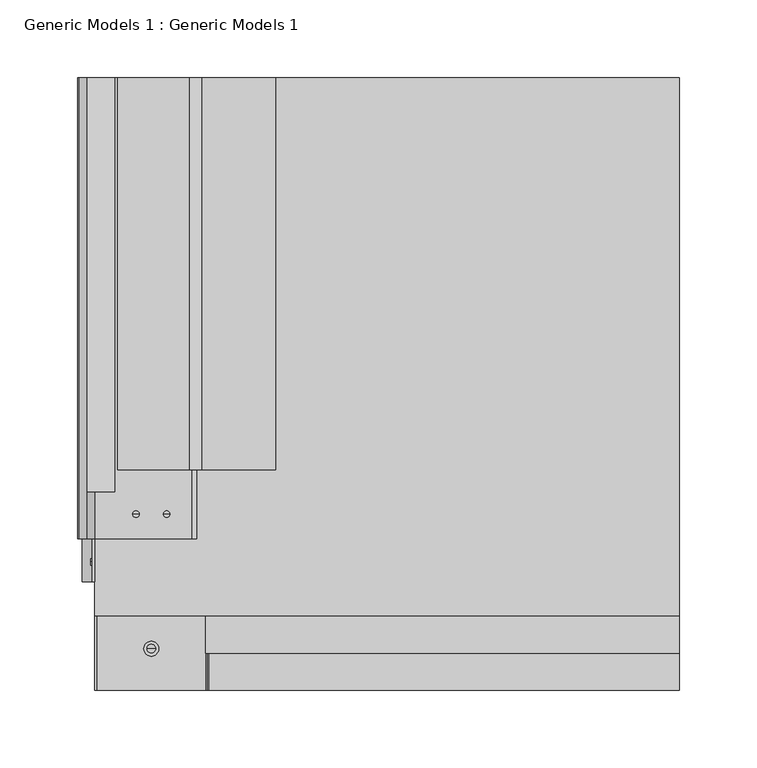
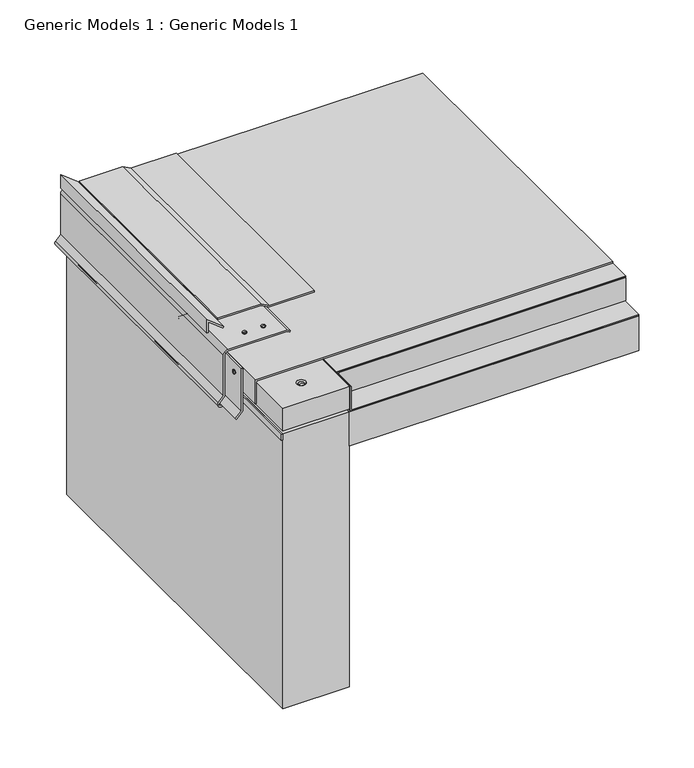
"""IFC4 building model written with IfcOpenShell, lengths in millimetres: proxy geometry, Generic Models 1 : Generic Models 1."""

from ifc_helpers import new_model, si_unit, point, frame, frame_2d, origin, place, context, project, spatial, polyline, circle_curve, trimmed, segment, composite_curve, outline, extrude, source, transform, mapped, element, save
from ifc_brep_helpers import plane_surface, cylinder_surface, revolved_surface, advanced_brep


def generic_models_1_generic_models_1_17781622(model_context):
    return source(origin(), model_context, "Body", "SolidModel", [
        advanced_brep(
        [(12.7, 393.8469389, 366.2998414), (82.55, 393.8469389, 366.2998414), (82.55, 393.8469389, 340.8998414), (12.7, 393.8469389, 340.8998414), (12.7, 0.0, 366.2998414), (12.7, 0.0, 340.8998414), (82.55, 0.0, 340.8998414), (82.55, 0.0, 366.2998414), (42.8625, 26.7050566, 366.2998414), (52.3875, 26.7050566, 366.2998414), (42.8625, 26.7050566, 362.6288088), (52.3875, 26.7050566, 362.6288088)],
        [
            (0, 1),
            (1, 2),
            (2, 3),
            (3, 0),
            (4, 5),
            (5, 6),
            (6, 7),
            (7, 4),
            (0, 4),
            (7, 1),
            (8, 9, circle_curve(frame((47.625, 26.7050566, 366.2998414), z_axis=(0.0, 0.0, -1.0), x_axis=(1.0, 0.0, 0.0)), 4.7625)),
            (9, 8, circle_curve(frame((47.625, 26.7050566, 366.2998414), z_axis=(0.0, 0.0, -1.0), x_axis=(1.0, 0.0, 0.0)), 4.7625)),
            (6, 2),
            (5, 3),
            (10, 11, circle_curve(frame((47.625, 26.7050566, 362.6288088), z_axis=(0.0, 0.0, 1.0), x_axis=(1.0, 0.0, 0.0)), 4.7625)),
            (11, 10, circle_curve(frame((47.625, 26.7050566, 362.6288088), z_axis=(0.0, 0.0, 1.0), x_axis=(1.0, 0.0, 0.0)), 4.7625)),
            (11, 9),
            (8, 10),
        ],
        [
            plane_surface(frame((82.55, 393.8469389, 366.2998414), z_axis=(0.0, 1.0, 0.0), x_axis=(1.0, 0.0, 0.0))),
            plane_surface(frame((82.55, 0.0, 366.2998414), z_axis=(0.0, -1.0, 0.0), x_axis=(-1.0, 0.0, 0.0))),
            plane_surface(frame((12.7, 393.8469389, 366.2998414), z_axis=(0.0, 0.0, 1.0), x_axis=(0.0, -1.0, 0.0))),
            plane_surface(frame((82.55, 393.8469389, 366.2998414), z_axis=(1.0, 0.0, 0.0), x_axis=(0.0, -1.0, 0.0))),
            plane_surface(frame((82.55, 393.8469389, 340.8998414), z_axis=(0.0, 0.0, -1.0), x_axis=(0.0, -1.0, 0.0))),
            plane_surface(frame((12.7, 393.8469389, 340.8998414), z_axis=(-1.0, 0.0, 0.0), x_axis=(0.0, -1.0, 0.0))),
            plane_surface(frame((52.3875, 26.7050566, 362.6288088), z_axis=(0.0, 0.0, 1.0), x_axis=(0.0, -1.0, 0.0))),
            revolved_surface(polyline([(52.3875, 26.7050566, 362.6288088), (52.3875, 26.7050566, 366.2998414)]), (47.625, 26.7050566, 366.2998414), (0.0, 0.0, -1.0)),
        ],
        [
            (0, [[1, 2, 3, 4]]),
            (1, [[5, 6, 7, 8]]),
            (2, [[-1, 9, -8, 10], [11, 12]]),
            (3, [[-2, -10, -7, 13]]),
            (4, [[-3, -13, -6, 14]]),
            (5, [[-4, -14, -5, -9]]),
            (6, [[15, 16]]),
            (7, [[-16, 17, -11, 18]]),
            (7, [[-15, -18, -12, -17]]),
        ],
    ),
        advanced_brep(
        [(44.8277779, 26.7050566, 365.2810239), (50.4222221, 26.7050566, 365.2810239), (47.625, 26.7050566, 365.2810239), (44.8277779, 26.7050566, 362.6288088), (50.4222221, 26.7050566, 362.6288088), (46.8121031, 26.7050566, 362.6288088), (48.4378969, 26.7050566, 362.6288088), (46.8121031, 26.7050566, 322.3707777), (48.4378969, 26.7050566, 322.3707777), (47.625, 26.7050566, 322.3707777)],
        [
            (0, 1, circle_curve(frame((47.625, 26.7050566, 365.2810239), z_axis=(0.0, 0.0, 1.0), x_axis=(1.0, 0.0, 0.0)), 2.7972221)),
            (1, 2),
            (2, 0),
            (1, 0, circle_curve(frame((47.625, 26.7050566, 365.2810239), z_axis=(0.0, 0.0, 1.0), x_axis=(1.0, 0.0, 0.0)), 2.7972221)),
            (3, 4, circle_curve(frame((47.625, 26.7050566, 362.6288088), z_axis=(0.0, 0.0, 1.0), x_axis=(1.0, 0.0, 0.0)), 2.7972221)),
            (4, 1),
            (0, 3),
            (4, 3, circle_curve(frame((47.625, 26.7050566, 362.6288088), z_axis=(0.0, 0.0, 1.0), x_axis=(1.0, 0.0, 0.0)), 2.7972221)),
            (5, 6, circle_curve(frame((47.625, 26.7050566, 362.6288088), z_axis=(0.0, 0.0, 1.0), x_axis=(1.0, 0.0, 0.0)), 0.8128969)),
            (6, 4),
            (3, 5),
            (6, 5, circle_curve(frame((47.625, 26.7050566, 362.6288088), z_axis=(0.0, 0.0, 1.0), x_axis=(1.0, 0.0, 0.0)), 0.8128969)),
            (7, 8, circle_curve(frame((47.625, 26.7050566, 322.3707777), z_axis=(0.0, 0.0, 1.0), x_axis=(1.0, 0.0, 0.0)), 0.8128969)),
            (8, 6),
            (5, 7),
            (8, 7, circle_curve(frame((47.625, 26.7050566, 322.3707777), z_axis=(0.0, 0.0, 1.0), x_axis=(1.0, 0.0, 0.0)), 0.8128969)),
            (9, 8),
            (7, 9),
        ],
        [
            plane_surface(frame((47.625, 26.7050566, 365.2810239), z_axis=(0.0, 0.0, 1.0), x_axis=(1.0, 0.0, 0.0))),
            cylinder_surface(frame((47.625, 26.7050566, 363.4227055), z_axis=(0.0, 0.0, -1.0), x_axis=(1.0, 0.0, 0.0)), 2.7972221),
            plane_surface(frame((47.625, 26.7050566, 362.6288088), z_axis=(0.0, 0.0, -1.0), x_axis=(1.0, 0.0, 0.0))),
            cylinder_surface(frame((47.625, 26.7050566, 363.4227055), z_axis=(0.0, 0.0, -1.0), x_axis=(1.0, 0.0, 0.0)), 0.8128969),
            plane_surface(frame((47.625, 26.7050566, 322.3707777), z_axis=(0.0, 0.0, -1.0), x_axis=(1.0, 0.0, 0.0))),
        ],
        [
            (0, [[1, 2, 3]]),
            (0, [[4, -3, -2]]),
            (1, [[5, 6, -1, 7]]),
            (1, [[8, -7, -4, -6]]),
            (2, [[9, 10, -5, 11]]),
            (2, [[12, -11, -8, -10]]),
            (3, [[13, 14, -9, 15]]),
            (3, [[16, -15, -12, -14]]),
            (4, [[17, -13, 18]]),
            (4, [[-18, -16, -17]]),
        ],
    ),
        advanced_brep(
        [(57.4938683, 113.2096799, 373.7920962), (55.3911775, 113.2096799, 373.7920962), (59.5965592, 113.2096799, 373.7920962), (55.3911775, 113.2096799, 372.9981994), (59.5965592, 113.2096799, 372.9981994), (57.055344, 113.2096799, 372.9981994), (57.9323927, 113.2096799, 372.9981994), (57.055344, 113.2096799, 349.8680551), (57.9323927, 113.2096799, 349.8680551), (57.4938683, 113.2096799, 347.3810597)],
        [
            (0, 1),
            (1, 2, circle_curve(frame((57.4938683, 113.2096799, 373.7920962), z_axis=(0.0, 0.0, 1.0), x_axis=(-1.0, 0.0, 0.0)), 2.1026908)),
            (2, 0),
            (2, 1, circle_curve(frame((57.4938683, 113.2096799, 373.7920962), z_axis=(0.0, 0.0, 1.0), x_axis=(-1.0, 0.0, 0.0)), 2.1026908)),
            (1, 3),
            (3, 4, circle_curve(frame((57.4938683, 113.2096799, 372.9981994), z_axis=(0.0, 0.0, 1.0), x_axis=(-1.0, 0.0, 0.0)), 2.1026908)),
            (4, 2),
            (4, 3, circle_curve(frame((57.4938683, 113.2096799, 372.9981994), z_axis=(0.0, 0.0, 1.0), x_axis=(-1.0, 0.0, 0.0)), 2.1026908)),
            (3, 5),
            (5, 6, circle_curve(frame((57.4938683, 113.2096799, 372.9981994), z_axis=(0.0, 0.0, 1.0), x_axis=(-1.0, 0.0, 0.0)), 0.4385244)),
            (6, 4),
            (6, 5, circle_curve(frame((57.4938683, 113.2096799, 372.9981994), z_axis=(0.0, 0.0, 1.0), x_axis=(-1.0, 0.0, 0.0)), 0.4385244)),
            (5, 7),
            (7, 8, circle_curve(frame((57.4938683, 113.2096799, 349.8680551), z_axis=(0.0, 0.0, 1.0), x_axis=(-1.0, 0.0, 0.0)), 0.4385244)),
            (8, 6),
            (8, 7, circle_curve(frame((57.4938683, 113.2096799, 349.8680551), z_axis=(0.0, 0.0, 1.0), x_axis=(-1.0, 0.0, 0.0)), 0.4385244)),
            (7, 9),
            (9, 8),
        ],
        [
            plane_surface(frame((57.4938683, 113.2096799, 373.7920962), z_axis=(0.0, 0.0, 1.0), x_axis=(-1.0, 0.0, 0.0))),
            cylinder_surface(frame((57.4938683, 113.2096799, 373.7920962), z_axis=(0.0, 0.0, 1.0), x_axis=(-1.0, 0.0, 0.0)), 2.1026908),
            plane_surface(frame((57.4938683, 113.2096799, 372.9981994), z_axis=(0.0, 0.0, -1.0), x_axis=(-1.0, 0.0, 0.0))),
            cylinder_surface(frame((57.4938683, 113.2096799, 373.7920962), z_axis=(0.0, 0.0, 1.0), x_axis=(-1.0, 0.0, 0.0)), 0.4385244),
            revolved_surface(polyline([(57.4938683, 113.2096799, 347.3810597), (57.055344, 113.2096799, 349.8680551)]), (57.4938683, 113.2096799, 373.7920962), (0.0, 0.0, 1.0)),
        ],
        [
            (0, [[1, 2, 3]]),
            (0, [[-3, 4, -1]]),
            (1, [[-2, 5, 6, 7]]),
            (1, [[-4, -7, 8, -5]]),
            (2, [[-6, 9, 10, 11]]),
            (2, [[-8, -11, 12, -9]]),
            (3, [[-10, 13, 14, 15]]),
            (3, [[-12, -15, 16, -13]]),
            (4, [[-14, 17, 18]]),
            (4, [[-16, -18, -17]]),
        ],
    ),
        advanced_brep(
        [(35.6534408, 113.2096799, 373.7920962), (39.8588225, 113.2096799, 373.7920962), (37.7561317, 113.2096799, 373.7920962), (35.6534408, 113.2096799, 372.9981994), (39.8588225, 113.2096799, 372.9981994), (37.3176073, 113.2096799, 372.9981994), (38.194656, 113.2096799, 372.9981994), (37.3176073, 113.2096799, 349.8680551), (38.194656, 113.2096799, 349.8680551), (37.7561317, 113.2096799, 347.3810597)],
        [
            (0, 1, circle_curve(frame((37.7561317, 113.2096799, 373.7920962), z_axis=(0.0, 0.0, 1.0), x_axis=(1.0, 0.0, 0.0)), 2.1026908)),
            (1, 2),
            (2, 0),
            (1, 0, circle_curve(frame((37.7561317, 113.2096799, 373.7920962), z_axis=(0.0, 0.0, 1.0), x_axis=(1.0, 0.0, 0.0)), 2.1026908)),
            (3, 4, circle_curve(frame((37.7561317, 113.2096799, 372.9981994), z_axis=(0.0, 0.0, 1.0), x_axis=(1.0, 0.0, 0.0)), 2.1026908)),
            (4, 1),
            (0, 3),
            (4, 3, circle_curve(frame((37.7561317, 113.2096799, 372.9981994), z_axis=(0.0, 0.0, 1.0), x_axis=(1.0, 0.0, 0.0)), 2.1026908)),
            (5, 6, circle_curve(frame((37.7561317, 113.2096799, 372.9981994), z_axis=(0.0, 0.0, 1.0), x_axis=(1.0, 0.0, 0.0)), 0.4385244)),
            (6, 4),
            (3, 5),
            (6, 5, circle_curve(frame((37.7561317, 113.2096799, 372.9981994), z_axis=(0.0, 0.0, 1.0), x_axis=(1.0, 0.0, 0.0)), 0.4385244)),
            (7, 8, circle_curve(frame((37.7561317, 113.2096799, 349.8680551), z_axis=(0.0, 0.0, 1.0), x_axis=(1.0, 0.0, 0.0)), 0.4385244)),
            (8, 6),
            (5, 7),
            (8, 7, circle_curve(frame((37.7561317, 113.2096799, 349.8680551), z_axis=(0.0, 0.0, 1.0), x_axis=(1.0, 0.0, 0.0)), 0.4385244)),
            (9, 8),
            (7, 9),
        ],
        [
            plane_surface(frame((37.7561317, 113.2096799, 373.7920962), z_axis=(0.0, 0.0, 1.0), x_axis=(1.0, 0.0, 0.0))),
            cylinder_surface(frame((37.7561317, 113.2096799, 373.7920962), z_axis=(0.0, 0.0, -1.0), x_axis=(1.0, 0.0, 0.0)), 2.1026908),
            plane_surface(frame((37.7561317, 113.2096799, 372.9981994), z_axis=(0.0, 0.0, -1.0), x_axis=(1.0, 0.0, 0.0))),
            cylinder_surface(frame((37.7561317, 113.2096799, 373.7920962), z_axis=(0.0, 0.0, -1.0), x_axis=(1.0, 0.0, 0.0)), 0.4385244),
            revolved_surface(polyline([(38.194656, 113.2096799, 349.8680551), (37.7561317, 113.2096799, 347.3810597)]), (37.7561317, 113.2096799, 373.7920962), (0.0, 0.0, -1.0)),
        ],
        [
            (0, [[1, 2, 3]]),
            (0, [[4, -3, -2]]),
            (1, [[5, 6, -1, 7]]),
            (1, [[8, -7, -4, -6]]),
            (2, [[9, 10, -5, 11]]),
            (2, [[12, -11, -8, -10]]),
            (3, [[13, 14, -9, 15]]),
            (3, [[16, -15, -12, -14]]),
            (4, [[17, -13, 18]]),
            (4, [[-18, -16, -17]]),
        ],
    ),
        extrude(outline(polyline([(338.5185914, 387.35), (339.3123414, 387.35), (339.3123414, 84.5573424), (365.5060914, 84.5573424), (365.5060914, 83.7635924), (338.5185914, 83.7635924), (338.5185914, 387.35)])), frame((0.0, 0.0, 0.0), z_axis=(0.0, 1.0, 0.0), x_axis=(0.0, 0.0, 1.0)), (0.0, 0.0, 1.0), 393.8469389),
        extrude(outline(polyline([(82.55, 261.3017557), (387.35, 261.3017557), (387.35, 0.0), (82.55, 0.0), (82.55, 261.3017557)])), frame((0.0, 0.0, 299.6248414), z_axis=(0.0, 0.0, 1.0), x_axis=(1.0, 0.0, 0.0)), (0.0, 0.0, 1.0), 38.1),
        extrude(outline(polyline([(389.7584322, 6.35), (374.6962373, 6.35), (374.6962373, 7.9375), (386.5035748, 7.9375), (374.5738743, 23.2068204), (375.8248414, 24.1841829), (389.7584322, 6.35)])), frame((0.0, 127.5153227, 0.0), z_axis=(0.0, 1.0, 0.0), x_axis=(0.0, 0.0, 1.0)), (0.0, 0.0, 1.0), 266.3316162),
        extrude(outline(polyline([(375.8248414, 26.1367613), (374.2373414, 26.1367613), (374.2373414, 71.4375), (369.4748414, 79.686392), (369.4748414, 127.7367613), (371.0623414, 127.7367613), (371.0623414, 80.1117613), (375.8248414, 71.8628693), (375.8248414, 26.1367613)])), frame((0.0, 141.7149298, 0.0), z_axis=(0.0, 1.0, 0.0), x_axis=(0.0, 0.0, 1.0)), (0.0, 0.0, 1.0), 252.1320092),
        advanced_brep(
        [(8.7311033, 184.15, 356.0418629), (8.7311033, 184.15, 360.2472445), (8.7311033, 184.15, 358.1445537), (9.525, 184.15, 356.0418629), (9.525, 184.15, 360.2472445), (9.525, 184.15, 357.7060293), (9.525, 184.15, 358.5830781), (18.9629569, 184.15, 357.7060293), (18.9629569, 184.15, 358.5830781), (21.4499522, 184.15, 358.1445537)],
        [
            (0, 1, circle_curve(frame((8.7311033, 184.15, 358.1445537), z_axis=(-1.0, 0.0, 0.0), x_axis=(0.0, 0.0, 1.0)), 2.1026908)),
            (1, 2),
            (2, 0),
            (1, 0, circle_curve(frame((8.7311033, 184.15, 358.1445537), z_axis=(-1.0, 0.0, 0.0), x_axis=(0.0, 0.0, 1.0)), 2.1026908)),
            (3, 4, circle_curve(frame((9.525, 184.15, 358.1445537), z_axis=(-1.0, 0.0, 0.0), x_axis=(0.0, 0.0, 1.0)), 2.1026908)),
            (4, 1),
            (0, 3),
            (4, 3, circle_curve(frame((9.525, 184.15, 358.1445537), z_axis=(-1.0, 0.0, 0.0), x_axis=(0.0, 0.0, 1.0)), 2.1026908)),
            (5, 6, circle_curve(frame((9.525, 184.15, 358.1445537), z_axis=(-1.0, 0.0, 0.0), x_axis=(0.0, 0.0, 1.0)), 0.4385244)),
            (6, 4),
            (3, 5),
            (6, 5, circle_curve(frame((9.525, 184.15, 358.1445537), z_axis=(-1.0, 0.0, 0.0), x_axis=(0.0, 0.0, 1.0)), 0.4385244)),
            (7, 8, circle_curve(frame((18.9629569, 184.15, 358.1445537), z_axis=(-1.0, 0.0, 0.0), x_axis=(0.0, 0.0, 1.0)), 0.4385244)),
            (8, 6),
            (5, 7),
            (8, 7, circle_curve(frame((18.9629569, 184.15, 358.1445537), z_axis=(-1.0, 0.0, 0.0), x_axis=(0.0, 0.0, 1.0)), 0.4385244)),
            (9, 8),
            (7, 9),
        ],
        [
            plane_surface(frame((8.7311033, 184.15, 358.1445537), z_axis=(-1.0, 0.0, 0.0), x_axis=(0.0, 0.0, 1.0))),
            cylinder_surface(frame((8.7311033, 184.15, 358.1445537), z_axis=(1.0, 0.0, 0.0), x_axis=(0.0, 0.0, 1.0)), 2.1026908),
            plane_surface(frame((9.525, 184.15, 358.1445537), z_axis=(1.0, 0.0, 0.0), x_axis=(0.0, 0.0, 1.0))),
            cylinder_surface(frame((8.7311033, 184.15, 358.1445537), z_axis=(1.0, 0.0, 0.0), x_axis=(0.0, 0.0, 1.0)), 0.4385244),
            revolved_surface(polyline([(18.9629569, 184.15, 358.5830781), (21.4499522, 184.15, 358.1445537)]), (8.7311033, 184.15, 358.1445537), (1.0, 0.0, 0.0)),
        ],
        [
            (0, [[1, 2, 3]]),
            (0, [[4, -3, -2]]),
            (1, [[5, 6, -1, 7]]),
            (1, [[8, -7, -4, -6]]),
            (2, [[9, 10, -5, 11]]),
            (2, [[12, -11, -8, -10]]),
            (3, [[13, 14, -9, 15]]),
            (3, [[16, -15, -12, -14]]),
            (4, [[17, -13, 18]]),
            (4, [[-18, -16, -17]]),
        ],
    ),
        advanced_brep(
        [(8.7311033, 82.55, 356.0418629), (8.7311033, 82.55, 360.2472445), (8.7311033, 82.55, 358.1445537), (9.525, 82.55, 356.0418629), (9.525, 82.55, 360.2472445), (9.525, 82.55, 357.7060293), (9.525, 82.55, 358.5830781), (18.9629569, 82.55, 357.7060293), (18.9629569, 82.55, 358.5830781), (21.4499522, 82.55, 358.1445537)],
        [
            (0, 1, circle_curve(frame((8.7311033, 82.55, 358.1445537), z_axis=(-1.0, 0.0, 0.0), x_axis=(0.0, 0.0, 1.0)), 2.1026908)),
            (1, 2),
            (2, 0),
            (1, 0, circle_curve(frame((8.7311033, 82.55, 358.1445537), z_axis=(-1.0, 0.0, 0.0), x_axis=(0.0, 0.0, 1.0)), 2.1026908)),
            (3, 4, circle_curve(frame((9.525, 82.55, 358.1445537), z_axis=(-1.0, 0.0, 0.0), x_axis=(0.0, 0.0, 1.0)), 2.1026908)),
            (4, 1),
            (0, 3),
            (4, 3, circle_curve(frame((9.525, 82.55, 358.1445537), z_axis=(-1.0, 0.0, 0.0), x_axis=(0.0, 0.0, 1.0)), 2.1026908)),
            (5, 6, circle_curve(frame((9.525, 82.55, 358.1445537), z_axis=(-1.0, 0.0, 0.0), x_axis=(0.0, 0.0, 1.0)), 0.4385244)),
            (6, 4),
            (3, 5),
            (6, 5, circle_curve(frame((9.525, 82.55, 358.1445537), z_axis=(-1.0, 0.0, 0.0), x_axis=(0.0, 0.0, 1.0)), 0.4385244)),
            (7, 8, circle_curve(frame((18.9629569, 82.55, 358.1445537), z_axis=(-1.0, 0.0, 0.0), x_axis=(0.0, 0.0, 1.0)), 0.4385244)),
            (8, 6),
            (5, 7),
            (8, 7, circle_curve(frame((18.9629569, 82.55, 358.1445537), z_axis=(-1.0, 0.0, 0.0), x_axis=(0.0, 0.0, 1.0)), 0.4385244)),
            (9, 8),
            (7, 9),
        ],
        [
            plane_surface(frame((8.7311033, 82.55, 358.1445537), z_axis=(-1.0, 0.0, 0.0), x_axis=(0.0, 0.0, 1.0))),
            cylinder_surface(frame((8.7311033, 82.55, 358.1445537), z_axis=(1.0, 0.0, 0.0), x_axis=(0.0, 0.0, 1.0)), 2.1026908),
            plane_surface(frame((9.525, 82.55, 358.1445537), z_axis=(1.0, 0.0, 0.0), x_axis=(0.0, 0.0, 1.0))),
            cylinder_surface(frame((8.7311033, 82.55, 358.1445537), z_axis=(1.0, 0.0, 0.0), x_axis=(0.0, 0.0, 1.0)), 0.4385244),
            revolved_surface(polyline([(18.9629569, 82.55, 358.5830781), (21.4499522, 82.55, 358.1445537)]), (8.7311033, 82.55, 358.1445537), (1.0, 0.0, 0.0)),
        ],
        [
            (0, [[1, 2, 3]]),
            (0, [[4, -3, -2]]),
            (1, [[5, 6, -1, 7]]),
            (1, [[8, -7, -4, -6]]),
            (2, [[9, 10, -5, 11]]),
            (2, [[12, -11, -8, -10]]),
            (3, [[13, 14, -9, 15]]),
            (3, [[16, -15, -12, -14]]),
            (4, [[17, -13, 18]]),
            (4, [[-18, -16, -17]]),
        ],
    ),
        extrude(outline(polyline([(322.2596126, 9.525), (315.74996, 3.0153475), (314.627428, 4.1378795), (321.6020485, 11.1125), (369.4748414, 11.1125), (369.4748414, 9.525), (322.2596126, 9.525)])), frame((0.0, 69.8317219, 0.0), z_axis=(0.0, 1.0, 0.0), x_axis=(0.0, 0.0, 1.0)), (0.0, 0.0, 1.0), 324.015217),
        extrude(outline(composite_curve([segment(trimmed(circle_curve(frame_2d((315.6098001, 3.4364536)), 3.175), [point((317.8548642, 1.1913896))], [point((313.3647361, 1.1913896))], False, "CARTESIAN"), True, "CONTINUOUS"), segment(polyline([(313.3647361, 1.1913896), (312.8034701, 1.7526556)]), True, "CONTINUOUS"), segment(trimmed(circle_curve(frame_2d((315.0485341, 3.9977196)), 3.175), [point((312.8034701, 1.7526556))], [point((312.8034701, 6.2427836))], False, "CARTESIAN"), True, "CONTINUOUS"), segment(polyline([(312.8034701, 6.2427836), (318.0903749, 11.5296884), (319.2129069, 10.4071564), (313.9260021, 5.1202516)]), True, "CONTINUOUS"), segment(trimmed(circle_curve(frame_2d((315.0485341, 3.9977196)), 1.5875), [point((313.9260021, 5.1202516))], [point((313.9260021, 2.8751876))], True, "CARTESIAN"), True, "CONTINUOUS"), segment(polyline([(313.9260021, 2.8751876), (314.4872681, 2.3139216)]), True, "CONTINUOUS"), segment(trimmed(circle_curve(frame_2d((315.6098001, 3.4364536)), 1.5875), [point((314.4872681, 2.3139216))], [point((316.7323322, 2.3139216))], True, "CARTESIAN"), True, "CONTINUOUS"), segment(polyline([(316.7323322, 2.3139216), (322.3559106, 7.9375), (368.2356994, 7.9375)]), True, "CONTINUOUS"), segment(trimmed(circle_curve(frame_2d((368.2356994, 11.1125)), 3.175), [point((368.2356994, 7.9375))], [point((371.4106994, 11.1125))], True, "CARTESIAN"), True, "CONTINUOUS"), segment(polyline([(371.4106994, 11.1125), (371.4106994, 73.1583875), (369.687526, 76.1430113), (371.0623414, 76.9367613), (372.9981994, 73.5837568), (372.9981994, 11.1125)]), True, "CONTINUOUS"), segment(trimmed(circle_curve(frame_2d((368.2356994, 11.1125)), 4.7625), [point((372.9981994, 11.1125))], [point((368.2356994, 6.35))], False, "CARTESIAN"), True, "CONTINUOUS"), segment(polyline([(368.2356994, 6.35), (323.0134746, 6.35), (317.8548642, 1.1913896)]), True, "CONTINUOUS")], self_intersect=False)), frame((0.0, 97.2860181, 0.0), z_axis=(0.0, 1.0, 0.0), x_axis=(0.0, 0.0, 1.0)), (0.0, 0.0, 1.0), 296.5609208),
        extrude(outline(polyline([(11.1125, 393.8469389), (12.7, 393.8469389), (12.7, 0.0), (11.1125, 0.0), (11.1125, 393.8469389)])), frame((0.0, 0.0, 331.1469794), z_axis=(0.0, 0.0, 1.0), x_axis=(1.0, 0.0, 0.0)), (0.0, 0.0, 1.0), 6.35),
        extrude(outline(polyline([(342.4873414, 12.7), (367.8873414, 12.7), (367.8873414, 387.35), (369.4748414, 387.35), (369.4748414, 11.1125), (342.4873414, 11.1125), (342.4873414, 12.7)])), frame((0.0, 47.7020126, 0.0), z_axis=(0.0, 1.0, 0.0), x_axis=(0.0, 0.0, 1.0)), (0.0, 0.0, 1.0), 346.1449263),
        extrude(outline(polyline([(82.55, 393.8469389), (387.35, 393.8469389), (387.35, 23.6915128), (82.55, 23.6915128), (82.55, 393.8469389)])), frame((0.0, 0.0, 367.0935914), z_axis=(0.0, 0.0, 1.0), x_axis=(1.0, 0.0, 0.0)), (0.0, 0.0, 1.0), 0.79375),
        extrude(outline(polyline([(85.725, 261.3017557), (387.35, 261.3017557), (387.35, 23.6915128), (85.725, 23.6915128), (85.725, 261.3017557)])), frame((0.0, 0.0, 340.8998414), z_axis=(0.0, 0.0, 1.0), x_axis=(1.0, 0.0, 0.0)), (0.0, 0.0, 1.0), 25.4),
        extrude(outline(polyline([(82.55, 0.0), (12.7, 0.0), (12.7, 393.8469389), (82.55, 393.8469389), (82.55, 0.0)])), frame((0.0, 0.0, 31.75), z_axis=(0.0, 0.0, 1.0), x_axis=(1.0, 0.0, 0.0)), (0.0, 0.0, 1.0), 305.9748414),
    ])


if __name__ == "__main__":
    model = new_model("IFC4")
    model_context = context("Model", 3, world=origin())
    ifc_project = project(units=[si_unit("LENGTHUNIT", "METRE", prefix="MILLI")], contexts=[model_context])
    site = spatial("IfcSite", under=ifc_project)
    building = spatial("IfcBuilding", under=site)
    placement = place(None, origin())
    generic_models_1_generic_models_1_shape = generic_models_1_generic_models_1_17781622(model_context)
    element("IfcBuildingElementProxy", 1, Name="Generic Models 1 : Generic Models 1", ObjectType="Generic Models 1 : Generic Models 1", at=placement, inside=building, context=model_context, shape_type="MappedRepresentation", body=[
        mapped(generic_models_1_generic_models_1_shape, transform((0.0, 0.0, 0.0), x_axis=(1.0, 0.0, 0.0), y_axis=(0.0, 1.0, 0.0), z_axis=(0.0, 0.0, 1.0))),
    ])
    save(model, "model.ifc")
